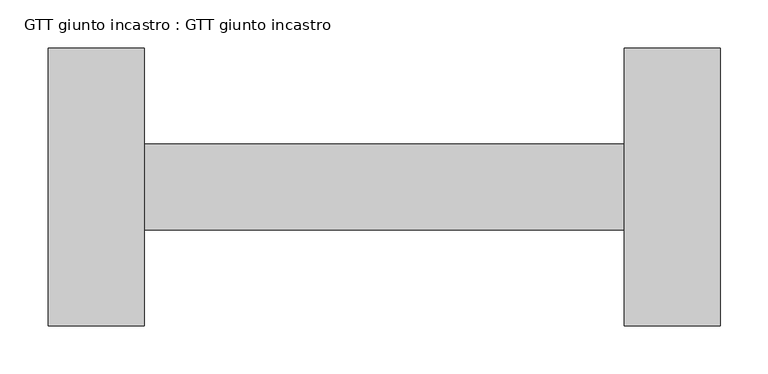
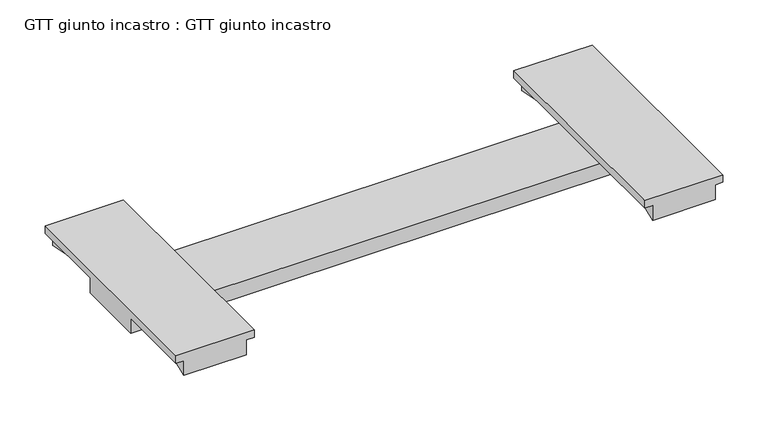
"""IFC4 building model written with IfcOpenShell, lengths in millimetres: proxy geometry, GTT giunto incastro : GTT giunto incastro."""

from ifc_helpers import new_model, si_unit, origin, place, context, project, spatial, faceted_brep, source, transform, mapped, element, save


def gtt_giunto_incastro_gtt_giunto_incastro_9d0f0c1f(model_context):
    return source(origin(), model_context, "Body", "Brep", [
        faceted_brep([(10.0, 105.0, 0.0), (90.0, 105.0, 0.0), (70.952381, 5.0, 0.0), (629.047619, 5.0, 0.0), (610.0, 105.0, 0.0), (690.0, 105.0, 0.0), (670.952381, 5.0, 0.0), (700.0, 5.0, 0.0), (700.0, -85.0, 0.0), (670.952381, -85.0, 0.0), (690.0, -185.0, 0.0), (610.0, -185.0, 0.0), (629.047619, -85.0, 0.0), (70.952381, -85.0, 0.0), (90.0, -185.0, 0.0), (10.0, -185.0, 0.0), (29.047619, -85.0, 0.0), (0.0, -85.0, 0.0), (0.0, 5.0, 0.0), (29.047619, 5.0, 0.0), (10.0, 105.0, 20.0), (29.047619, 5.0, 20.0), (90.0, 105.0, 20.0), (70.952381, 5.0, 20.0), (0.0, 105.0, 20.0), (0.0, 105.0, 30.0), (100.0, 105.0, 30.0), (100.0, 105.0, 20.0), (610.0, 105.0, 20.0), (629.047619, 5.0, 20.0), (690.0, 105.0, 20.0), (670.952381, 5.0, 20.0), (600.0, 105.0, 20.0), (600.0, 105.0, 30.0), (700.0, 105.0, 30.0), (700.0, 105.0, 20.0), (690.0, -185.0, 20.0), (700.0, -185.0, 20.0), (700.0, -185.0, 30.0), (600.0, -185.0, 30.0), (600.0, -185.0, 20.0), (610.0, -185.0, 20.0), (670.952381, -85.0, 20.0), (629.047619, -85.0, 20.0), (90.0, -185.0, 20.0), (100.0, -185.0, 20.0), (100.0, -185.0, 30.0), (0.0, -185.0, 30.0), (0.0, -185.0, 20.0), (10.0, -185.0, 20.0), (70.952381, -85.0, 20.0), (29.047619, -85.0, 20.0), (600.0, 5.0, 20.0), (700.0, 5.0, 20.0), (700.0, -85.0, 20.0), (600.0, -85.0, 20.0), (0.0, 5.0, 20.0), (100.0, 5.0, 20.0), (100.0, -85.0, 20.0), (0.0, -85.0, 20.0)], [[[0, 1, 2, 3, 4, 5, 6, 7, 8, 9, 10, 11, 12, 13, 14, 15, 16, 17, 18, 19]], [[20, 0, 19, 21]], [[1, 22, 23, 2]], [[1, 0, 20, 24, 25, 26, 27, 22]], [[28, 4, 3, 29]], [[5, 30, 31, 6]], [[5, 4, 28, 32, 33, 34, 35, 30]], [[11, 10, 36, 37, 38, 39, 40, 41]], [[36, 10, 9, 42]], [[11, 41, 43, 12]], [[15, 14, 44, 45, 46, 47, 48, 49]], [[44, 14, 13, 50]], [[15, 49, 51, 16]], [[34, 33, 39, 38]], [[32, 28, 29, 52]], [[30, 35, 53, 31]], [[37, 36, 42, 54]], [[41, 40, 55, 43]], [[39, 33, 32, 52, 55, 40]], [[34, 38, 37, 54, 8, 7, 53, 35]], [[26, 25, 47, 46]], [[24, 20, 21, 56]], [[22, 27, 57, 23]], [[45, 44, 50, 58]], [[49, 48, 59, 51]], [[47, 25, 24, 56, 18, 17, 59, 48]], [[26, 46, 45, 58, 57, 27]], [[52, 57, 58, 55]], [[3, 2, 23, 57, 52, 29]], [[53, 7, 6, 31]], [[18, 56, 21, 19]], [[13, 12, 43, 55, 58, 50]], [[8, 54, 42, 9]], [[59, 17, 16, 51]]]),
    ])


if __name__ == "__main__":
    model = new_model("IFC4")
    model_context = context("Model", 3, world=origin())
    ifc_project = project(units=[si_unit("LENGTHUNIT", "METRE", prefix="MILLI")], contexts=[model_context])
    site = spatial("IfcSite", under=ifc_project)
    building = spatial("IfcBuilding", under=site)
    placement = place(None, origin())
    gtt_giunto_incastro_gtt_giunto_incastro_shape = gtt_giunto_incastro_gtt_giunto_incastro_9d0f0c1f(model_context)
    element("IfcBuildingElementProxy", 1, Name="GTT giunto incastro : GTT giunto incastro", ObjectType="GTT giunto incastro : GTT giunto incastro", at=placement, inside=building, context=model_context, shape_type="MappedRepresentation", body=[
        mapped(gtt_giunto_incastro_gtt_giunto_incastro_shape, transform((0.0, 0.0, 0.0), x_axis=(1.0, 0.0, 0.0), y_axis=(0.0, 1.0, 0.0), z_axis=(0.0, 0.0, 1.0))),
    ])
    save(model, "model.ifc")
